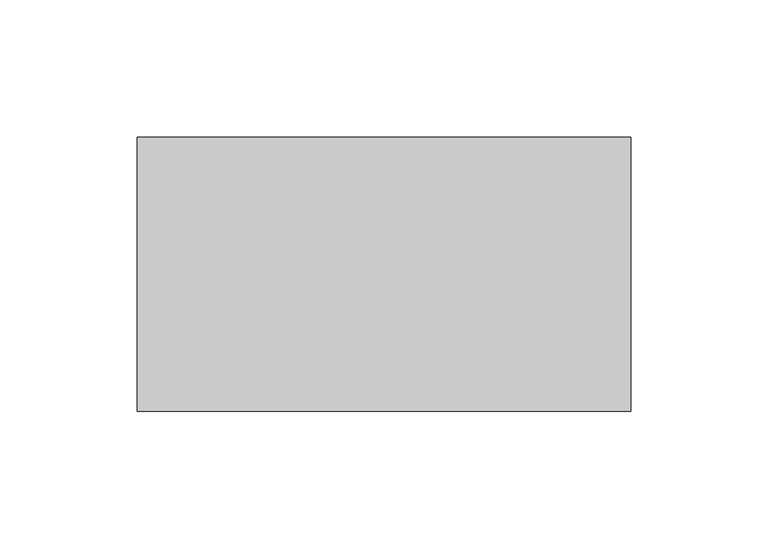
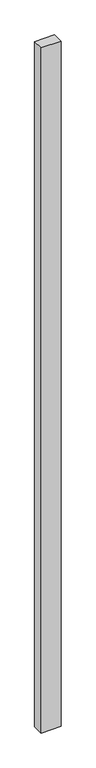
"""IFC4 building model written with IfcOpenShell, lengths in millimetres: proxy geometry."""

from ifc_helpers import new_model, si_unit, frame, origin, place, context, project, spatial, polyline, outline, extrude, source, transform, mapped, element, save


def generic_models_c0264ddc(model_context):
    return source(origin(), model_context, "Body", "SweptSolid", [
        extrude(outline(polyline([(180.0, 100.0), (180.0, 0.0), (0.0, 0.0), (0.0, 100.0), (180.0, 100.0)])), frame((0.0, 0.0, -6550.0), z_axis=(0.0, 0.0, 1.0), x_axis=(1.0, 0.0, 0.0)), (0.0, 0.0, 1.0), 6550.0),
    ])


if __name__ == "__main__":
    model = new_model("IFC4")
    model_context = context("Model", 3, world=origin())
    ifc_project = project(units=[si_unit("LENGTHUNIT", "METRE", prefix="MILLI")], contexts=[model_context])
    site = spatial("IfcSite", under=ifc_project)
    building = spatial("IfcBuilding", under=site)
    placement = place(None, origin())
    generic_models_shape = generic_models_c0264ddc(model_context)
    element("IfcBuildingElementProxy", 1, Name="Generic Models", at=placement, inside=building, context=model_context, shape_type="MappedRepresentation", body=[
        mapped(generic_models_shape, transform((0.0, 0.0, 0.0), x_axis=(1.0, 0.0, 0.0), y_axis=(0.0, 1.0, 0.0), z_axis=(0.0, 0.0, 1.0))),
    ])
    save(model, "model.ifc")
